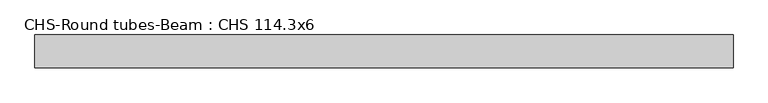
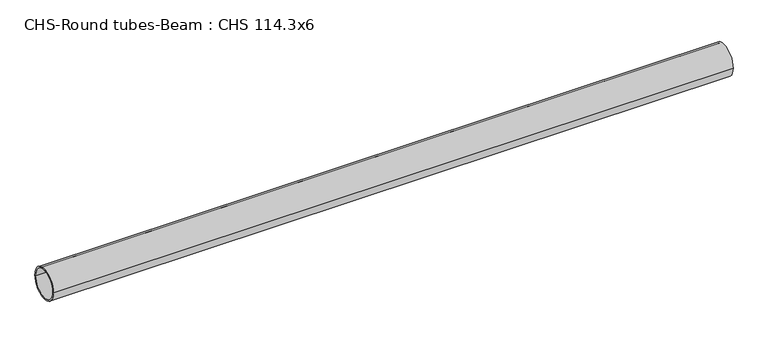
"""IFC4 building model written with IfcOpenShell, lengths in millimetres: beam geometry, CHS-Round tubes-Beam : CHS 114.3x6."""

from ifc_helpers import new_model, si_unit, point, frame, origin, origin_2d, place, context, project, spatial, circle_curve, trimmed, segment, composite_curve, outline, extrude, source, transform, mapped, element, save


def chs_round_tubes_beam_chs_114_3x6_86ea2dd7(model_context):
    return source(origin(), model_context, "Body", "SweptSolid", [
        extrude(outline(composite_curve([segment(trimmed(circle_curve(origin_2d(), 57.15), [point((57.15, 0.0))], [point((-57.15, 0.0))], False, "CARTESIAN"), True, "CONTINUOUS"), segment(trimmed(circle_curve(origin_2d(), 57.15), [point((-57.15, 0.0))], [point((57.15, 0.0))], False, "CARTESIAN"), True, "CONTINUOUS")], self_intersect=False), holes=[composite_curve([segment(trimmed(circle_curve(origin_2d(), 51.15), [point((51.15, 0.0))], [point((-51.15, 0.0))], True, "CARTESIAN"), True, "CONTINUOUS"), segment(trimmed(circle_curve(origin_2d(), 51.15), [point((-51.15, 0.0))], [point((51.15, 0.0))], True, "CARTESIAN"), True, "CONTINUOUS")], self_intersect=False)]), frame((-1166.4773289, 0.0, 0.0), z_axis=(1.0, 0.0, 0.0), x_axis=(0.0, 1.0, 0.0)), (0.0, 0.0, 1.0), 2433.9056866),
    ])


if __name__ == "__main__":
    model = new_model("IFC4")
    model_context = context("Model", 3, world=origin())
    ifc_project = project(units=[si_unit("LENGTHUNIT", "METRE", prefix="MILLI")], contexts=[model_context])
    site = spatial("IfcSite", under=ifc_project)
    building = spatial("IfcBuilding", under=site)
    placement = place(None, origin())
    chs_round_tubes_beam_chs_114_3x6_shape = chs_round_tubes_beam_chs_114_3x6_86ea2dd7(model_context)
    element("IfcBeam", 1, ObjectType="CHS-Round tubes-Beam : CHS 114.3x6", at=placement, inside=building, context=model_context, shape_type="MappedRepresentation", body=[
        mapped(chs_round_tubes_beam_chs_114_3x6_shape, transform((0.0, 0.0, 0.0), x_axis=(1.0, 0.0, 0.0), y_axis=(0.0, 1.0, 0.0), z_axis=(0.0, 0.0, 1.0))),
    ])
    save(model, "model.ifc")
